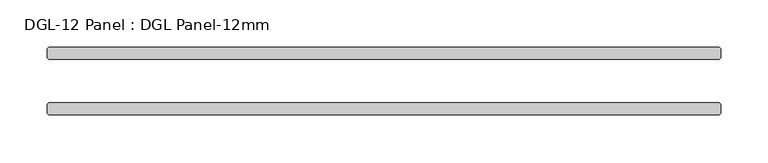
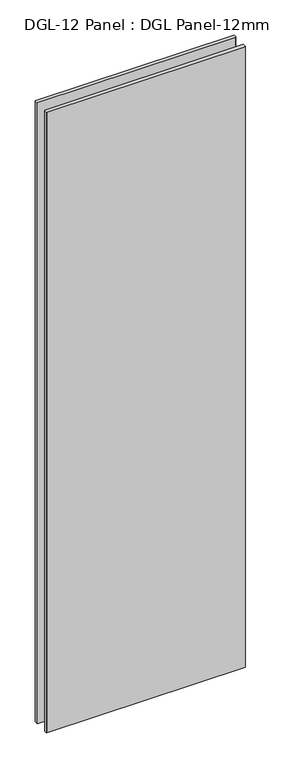
"""IFC4 building model written with IfcOpenShell, lengths in millimetres: plate geometry, DGL-12 Panel : DGL Panel-12mm."""

from ifc_helpers import new_model, si_unit, origin, origin_with_axes, place, context, project, spatial, polyline, outline, extrude, source, transform, mapped, element, save


def dgl_12_panel_dgl_panel_12mm_11e556c9(model_context):
    return source(origin(), model_context, "Body", "SweptSolid", [
        extrude(outline(polyline([(353.615625, -22.9195313), (355.203125, -24.5070313), (355.203125, -34.0320313), (353.615625, -35.6195313), (-353.615625, -35.6195313), (-355.203125, -34.0320313), (-355.203125, -24.5070313), (-353.615625, -22.9195313), (353.615625, -22.9195313)])), origin_with_axes(), (0.0, 0.0, 1.0), 2339.4622278),
        extrude(outline(polyline([(353.615625, 35.6195312), (355.203125, 34.0320312), (355.203125, 24.5070312), (353.615625, 22.9195312), (-353.615625, 22.9195312), (-355.203125, 24.5070312), (-355.203125, 34.0320312), (-353.615625, 35.6195312), (353.615625, 35.6195312)])), origin_with_axes(), (0.0, 0.0, 1.0), 2339.4622278),
    ])


if __name__ == "__main__":
    model = new_model("IFC4")
    model_context = context("Model", 3, world=origin())
    ifc_project = project(units=[si_unit("LENGTHUNIT", "METRE", prefix="MILLI")], contexts=[model_context])
    site = spatial("IfcSite", under=ifc_project)
    building = spatial("IfcBuilding", under=site)
    placement = place(None, origin())
    dgl_12_panel_dgl_panel_12mm_shape = dgl_12_panel_dgl_panel_12mm_11e556c9(model_context)
    element("IfcPlate", 1, ObjectType="DGL-12 Panel : DGL Panel-12mm", at=placement, inside=building, context=model_context, shape_type="MappedRepresentation", body=[
        mapped(dgl_12_panel_dgl_panel_12mm_shape, transform((0.0, 0.0, 0.0), x_axis=(1.0, 0.0, 0.0), y_axis=(0.0, 1.0, 0.0), z_axis=(0.0, 0.0, 1.0))),
    ])
    save(model, "model.ifc")
